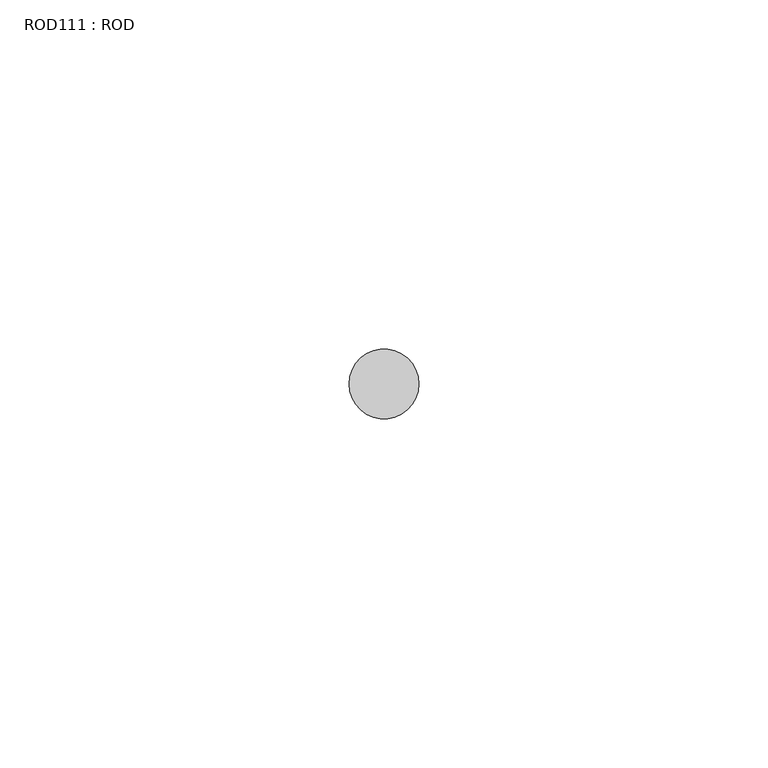
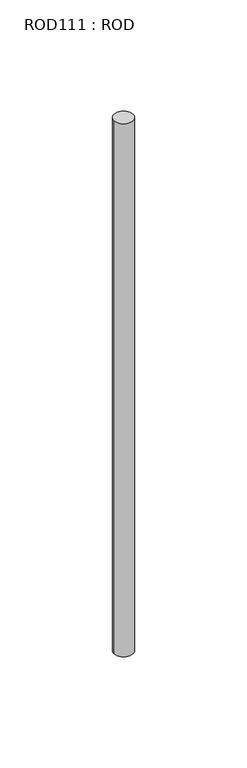
"""IFC4 building model written with IfcOpenShell, lengths in millimetres: proxy geometry, ROD111 : ROD."""

from ifc_helpers import new_model, si_unit, point, frame, frame_2d, origin, place, context, project, spatial, circle_curve, trimmed, segment, composite_curve, outline, extrude, source, transform, mapped, element, save


def rod111_rod_db2096f3(model_context):
    return source(origin(), model_context, "Body", "SweptSolid", [
        extrude(outline(composite_curve([segment(trimmed(circle_curve(frame_2d((-3200.2326676, -14542.0031593)), 5.0), [point((-3205.2326676, -14542.0031593))], [point((-3195.2326676, -14542.0031593))], False, "CARTESIAN"), True, "CONTINUOUS"), segment(trimmed(circle_curve(frame_2d((-3200.2326676, -14542.0031593)), 5.0), [point((-3195.2326676, -14542.0031593))], [point((-3205.2326676, -14542.0031593))], False, "CARTESIAN"), True, "CONTINUOUS")], self_intersect=False)), frame((0.0, 0.0, -108.6608845), z_axis=(0.0, 0.0, 1.0), x_axis=(1.0, 0.0, 0.0)), (0.0, 0.0, 1.0), 298.9028972),
    ])


if __name__ == "__main__":
    model = new_model("IFC4")
    model_context = context("Model", 3, world=origin())
    ifc_project = project(units=[si_unit("LENGTHUNIT", "METRE", prefix="MILLI")], contexts=[model_context])
    site = spatial("IfcSite", under=ifc_project)
    building = spatial("IfcBuilding", under=site)
    placement = place(None, origin())
    rod111_rod_shape = rod111_rod_db2096f3(model_context)
    element("IfcBuildingElementProxy", 1, Name="ROD111 : ROD", ObjectType="ROD111 : ROD", at=placement, inside=building, context=model_context, shape_type="MappedRepresentation", body=[
        mapped(rod111_rod_shape, transform((0.0, 0.0, 0.0), x_axis=(1.0, 0.0, 0.0), y_axis=(0.0, 1.0, 0.0), z_axis=(0.0, 0.0, 1.0))),
    ])
    save(model, "model.ifc")
